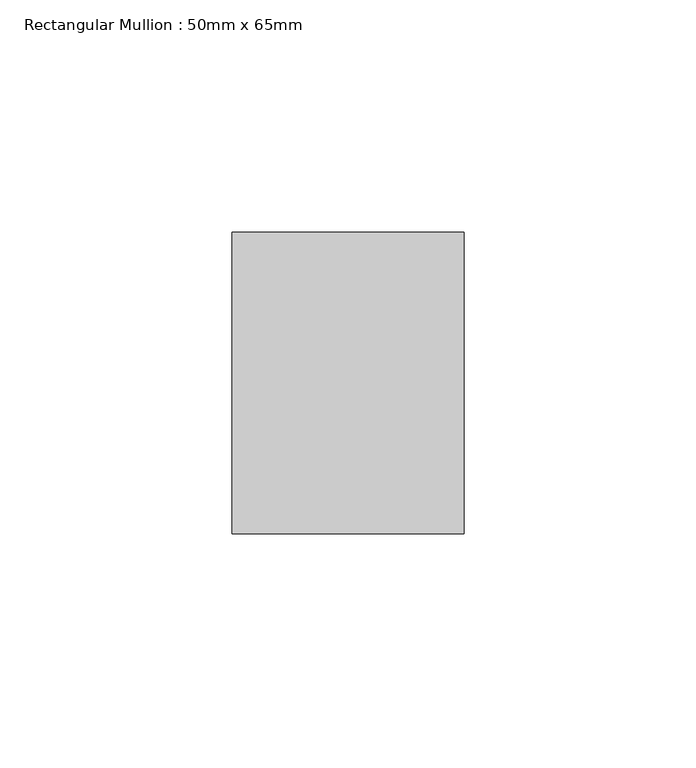
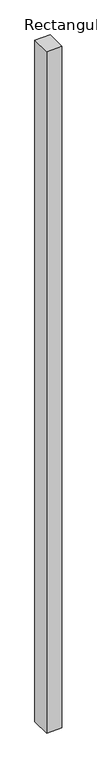
"""IFC4 building model written with IfcOpenShell, lengths in millimetres: member geometry, Rectangular Mullion : 50mm x 65mm."""

from ifc_helpers import new_model, si_unit, frame, origin, place, context, project, spatial, polyline, outline, extrude, source, transform, mapped, element, save


def rectangular_mullion_50mm_x_65mm_0c5880d9(model_context):
    return source(origin(), model_context, "Body", "SweptSolid", [
        extrude(outline(polyline([(25.0, 32.5), (25.0, -32.5), (-25.0, -32.5), (-25.0, 32.5), (25.0, 32.5)])), frame((0.0, 0.0, -2332.1771711), z_axis=(0.0, 0.0, 1.0), x_axis=(1.0, 0.0, 0.0)), (0.0, 0.0, 1.0), 2332.1771711),
    ])


if __name__ == "__main__":
    model = new_model("IFC4")
    model_context = context("Model", 3, world=origin())
    ifc_project = project(units=[si_unit("LENGTHUNIT", "METRE", prefix="MILLI")], contexts=[model_context])
    site = spatial("IfcSite", under=ifc_project)
    building = spatial("IfcBuilding", under=site)
    placement = place(None, origin())
    rectangular_mullion_50mm_x_65mm_shape = rectangular_mullion_50mm_x_65mm_0c5880d9(model_context)
    element("IfcMember", 1, ObjectType="Rectangular Mullion : 50mm x 65mm", at=placement, inside=building, context=model_context, shape_type="MappedRepresentation", body=[
        mapped(rectangular_mullion_50mm_x_65mm_shape, transform((0.0, 0.0, 0.0), x_axis=(1.0, 0.0, 0.0), y_axis=(0.0, 1.0, 0.0), z_axis=(0.0, 0.0, 1.0))),
    ])
    save(model, "model.ifc")
